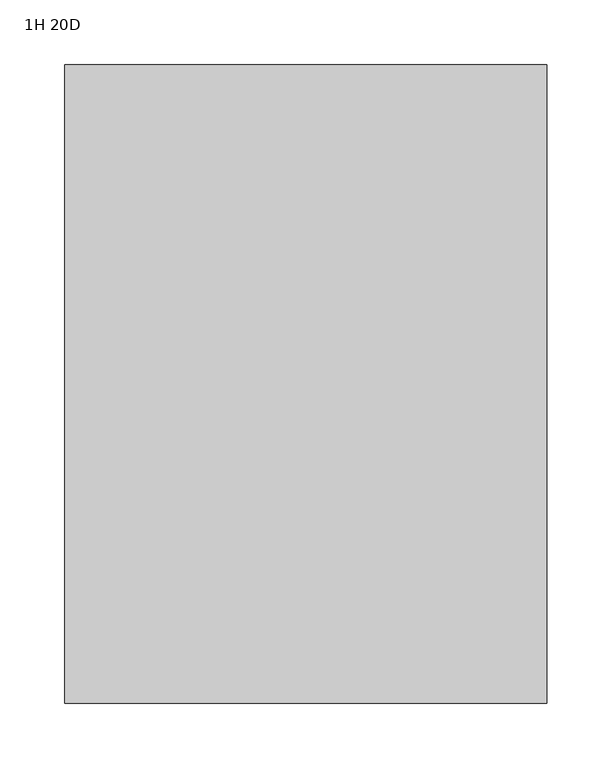
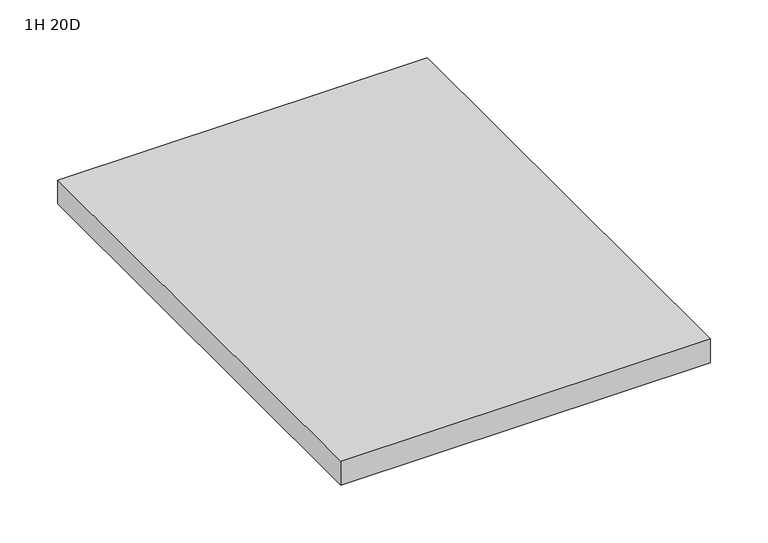
"""IFC4 building model written with IfcOpenShell, lengths in millimetres: furniture geometry, 1H 20D."""

from ifc_helpers import new_model, si_unit, frame, origin, place, context, project, spatial, polyline, outline, extrude, source, transform, mapped, element, save


def furniture_1h_20d_271d6521(model_context):
    return source(origin(), model_context, "Body", "SweptSolid", [
        extrude(outline(polyline([(-288.925, 440.563), (-288.925, -51.562), (-660.4, -51.562), (-660.4, 440.563), (-288.925, 440.563)])), frame((0.0, 0.0, 546.1), z_axis=(0.0, 0.0, 1.0), x_axis=(1.0, 0.0, 0.0)), (0.0, 0.0, 1.0), 25.4),
    ])


if __name__ == "__main__":
    model = new_model("IFC4")
    model_context = context("Model", 3, world=origin())
    ifc_project = project(units=[si_unit("LENGTHUNIT", "METRE", prefix="MILLI")], contexts=[model_context])
    site = spatial("IfcSite", under=ifc_project)
    building = spatial("IfcBuilding", under=site)
    placement = place(None, origin())
    furniture_1h_20d_shape = furniture_1h_20d_271d6521(model_context)
    element("IfcFurniture", 1, ObjectType="1H 20D", at=placement, inside=building, context=model_context, shape_type="MappedRepresentation", body=[
        mapped(furniture_1h_20d_shape, transform((0.0, 0.0, 0.0), x_axis=(1.0, 0.0, 0.0), y_axis=(0.0, 1.0, 0.0), z_axis=(0.0, 0.0, 1.0))),
    ])
    save(model, "model.ifc")
